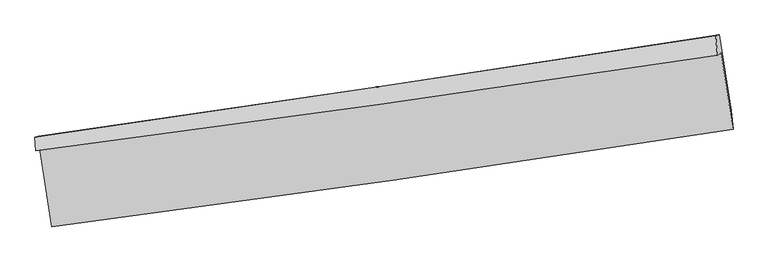
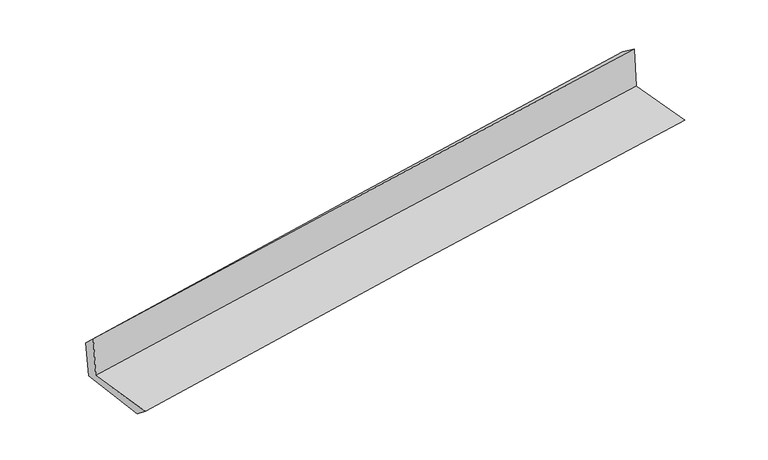
"""IFC4 building model written with IfcOpenShell, lengths in millimetres: proxy geometry."""

import ifcopenshell
import ifcopenshell.guid

model = None  # the IFC model being written
_history = None  # IfcOwnerHistory: only IFC2X3 demands one
_inside = {}  # id of a spatial element -> (the spatial element, [elements in it])
_under = {}  # id of a project, library or spatial element -> (it, [spatial elements below it])
_declared = {}  # id of a project -> (the project, [libraries it declares])
_typed = {}  # id of a type object -> (the type object, [elements of that type])
_made_of = {}  # id of a material, layer set ... -> (it, [elements and type objects made of it])


def new_model(schema):
    """Start an empty IFC model of exactly this schema.

    Asked for "IFC4X3", IfcOpenShell would pick the latest addendum, in which some entities
    have other attributes; the version numbers below select the first issue.
    IFC2X3 requires an IfcOwnerHistory on every rooted entity: one is made here for all.
    """
    global model, _history
    if schema == "IFC4X3":
        model = ifcopenshell.file(schema_version=(4, 3, 0, 0))
    else:
        model = ifcopenshell.file(schema=schema)
    _inside.clear()
    _under.clear()
    _declared.clear()
    _typed.clear()
    _made_of.clear()
    _history = None
    if model.schema == "IFC2X3":
        org = make("IfcOrganization", Name="unknown")
        user = make(
            "IfcPersonAndOrganization",
            ThePerson=make("IfcPerson", FamilyName="unknown"),
            TheOrganization=org,
        )
        app = make(
            "IfcApplication",
            ApplicationDeveloper=org,
            Version="unknown",
            ApplicationFullName="unknown",
            ApplicationIdentifier="unknown",
        )
        _history = make(
            "IfcOwnerHistory",
            OwningUser=user,
            OwningApplication=app,
            ChangeAction="ADDED",
            CreationDate=0,
        )
    return model


def make(cls, **values):
    """One entity of the class cls with the attributes given. An attribute that is None is left unset."""
    return model.create_entity(
        cls, **{name: value for name, value in values.items() if value is not None}
    )


def rooted(cls, **values):
    """An entity with a GlobalId (a new one), such as an element, a storey or a relation."""
    return make(cls, GlobalId=ifcopenshell.guid.new(), OwnerHistory=_history, **values)


def si_unit(unit_type, name, prefix=None):
    """IfcSIUnit, for example si_unit("LENGTHUNIT", "METRE", prefix="MILLI")."""
    return make("IfcSIUnit", UnitType=unit_type, Prefix=prefix, Name=name)


def assignment(units):
    """IfcUnitAssignment: the units of a project."""
    return None if units is None else make("IfcUnitAssignment", Units=units)


def point(xyz):
    """IfcCartesianPoint."""
    return None if xyz is None else make("IfcCartesianPoint", Coordinates=xyz)


def direction(xyz):
    """IfcDirection."""
    return None if xyz is None else make("IfcDirection", DirectionRatios=xyz)


def frame(location, z_axis=None, x_axis=None):
    """IfcAxis2Placement3D, a coordinate frame: its origin and axes. An axis left out is left unset."""
    return make(
        "IfcAxis2Placement3D",
        Location=point(location),
        Axis=direction(z_axis),
        RefDirection=direction(x_axis),
    )


def origin():
    """The frame at (0, 0, 0) with its axes left unset."""
    return frame((0.0, 0.0, 0.0))


def place(relative_to, where):
    """IfcLocalPlacement: puts the frame where relative to a parent placement (None: the world)."""
    return make(
        "IfcLocalPlacement", PlacementRelTo=relative_to, RelativePlacement=where
    )


def context(
    kind, dimensions, precision=None, world=None, true_north=None, identifier=None
):
    """IfcGeometricRepresentationContext, for example the 3D "Model" context."""
    return make(
        "IfcGeometricRepresentationContext",
        ContextIdentifier=identifier,
        ContextType=kind,
        CoordinateSpaceDimension=dimensions,
        Precision=precision,
        WorldCoordinateSystem=world,
        TrueNorth=true_north,
    )


def project(units=None, contexts=None):
    """IfcProject with its units and contexts."""
    return rooted(
        "IfcProject",
        Name="project",
        RepresentationContexts=contexts,
        UnitsInContext=assignment(units),
    )


def spatial(cls, under=None, at=None, **own):
    """A site, building, storey or space (cls), placed at a placement, below another one or the project."""
    s = rooted(cls, ObjectPlacement=at, **own)
    if under is not None:
        _under.setdefault(under.id(), (under, []))[1].append(s)
    return s


def shape(context_of_items, identifier, shape_type, items):
    """IfcShapeRepresentation: the items that make up one representation, for example the "Body"."""
    return make(
        "IfcShapeRepresentation",
        ContextOfItems=context_of_items,
        RepresentationIdentifier=identifier,
        RepresentationType=shape_type,
        Items=items,
    )


def source(mapping_origin, context_of_items, identifier, shape_type, items):
    """IfcRepresentationMap: a shape defined once, which mapped items show again and again."""
    return make(
        "IfcRepresentationMap",
        MappingOrigin=mapping_origin,
        MappedRepresentation=shape(context_of_items, identifier, shape_type, items),
    )


def transform(
    local_origin,
    x_axis=None,
    y_axis=None,
    z_axis=None,
    scale=None,
    scale2=None,
    scale3=None,
    uniform=True,
):
    """IfcCartesianTransformationOperator3D, or its non-uniform kind. x_axis, y_axis, z_axis: its Axis1, 2, 3."""
    if uniform:
        return make(
            "IfcCartesianTransformationOperator3D",
            Axis1=direction(x_axis),
            Axis2=direction(y_axis),
            LocalOrigin=point(local_origin),
            Scale=scale,
            Axis3=direction(z_axis),
        )
    return make(
        "IfcCartesianTransformationOperator3DnonUniform",
        Axis1=direction(x_axis),
        Axis2=direction(y_axis),
        LocalOrigin=point(local_origin),
        Scale=scale,
        Axis3=direction(z_axis),
        Scale2=scale2,
        Scale3=scale3,
    )


def mapped(mapping_source, mapping_target):
    """IfcMappedItem: shows the shape of a source again, moved by a transform."""
    return make(
        "IfcMappedItem", MappingSource=mapping_source, MappingTarget=mapping_target
    )


def made_of(thing, what):
    """Note that an element or type object is made of a material, layer set ...; save() writes the relation."""
    if what is not None:
        _made_of.setdefault(what.id(), (what, []))[1].append(thing)
    return thing


def element(
    cls,
    number,
    at=None,
    inside=None,
    cuts=None,
    type_object=None,
    material=None,
    context=None,
    identifier="Body",
    shape_type=None,
    held_by="IfcProductDefinitionShape",
    body=None,
    shapes=None,
    **own,
):
    """One element of the class cls, such as IfcWall. Its Tag is "e" and its number.

    at: its placement. inside: the storey or other place that contains it. cuts: it is an
    opening in that element (IfcRelVoidsElement). A single representation is given by context,
    identifier, shape_type and body (its items); several are given by shapes. held_by: the class
    of the entity that holds the representations. save() writes the other relations.
    """
    e = rooted(cls, Tag="e%d" % number, ObjectPlacement=at, **own)
    if body is not None:
        shapes = [shape(context, identifier, shape_type, body)]
    if shapes is not None:
        e.Representation = make(held_by, Representations=shapes)
    if inside is not None:
        _inside.setdefault(inside.id(), (inside, []))[1].append(e)
    if cuts is not None:
        rooted(
            "IfcRelVoidsElement", RelatingBuildingElement=cuts, RelatedOpeningElement=e
        )
    if type_object is not None:
        _typed.setdefault(type_object.id(), (type_object, []))[1].append(e)
    return made_of(e, material)


def aggregate(whole, parts):
    """IfcRelAggregates: a whole, such as a stair, and the parts it consists of."""
    return rooted("IfcRelAggregates", RelatingObject=whole, RelatedObjects=parts)


def save(model, path):
    """Write the relations noted so far, then the file.

    IfcRelAggregates (storeys below a building ...), IfcRelContainedInSpatialStructure (elements
    in a storey), IfcRelDefinesByType, IfcRelAssociatesMaterial and IfcRelDeclares: one each for
    every whole, place, type object, material and project.
    """
    for whole, parts in _under.values():
        aggregate(whole, parts)
    for where, things in _inside.values():
        rooted(
            "IfcRelContainedInSpatialStructure",
            RelatedElements=things,
            RelatingStructure=where,
        )
    for kind, things in _typed.values():
        rooted("IfcRelDefinesByType", RelatedObjects=things, RelatingType=kind)
    for what, things in _made_of.values():
        rooted("IfcRelAssociatesMaterial", RelatedObjects=things, RelatingMaterial=what)
    for by, libraries in _declared.values():
        rooted("IfcRelDeclares", RelatingContext=by, RelatedDefinitions=libraries)
    model.write(path)


def plane_surface(at):
    """IfcPlane: the flat surface through the origin of the frame at, square to its z axis."""
    return make("IfcPlane", Position=at)


def spline_curve(degree, points, multiplicities, knots, weights=None):
    """IfcBSplineCurveWithKnots; with weights, IfcRationalBSplineCurveWithKnots."""
    own = dict(
        Degree=degree,
        ControlPointsList=[point(p) for p in points],
        CurveForm="UNSPECIFIED",
        ClosedCurve=False,
        SelfIntersect=False,
        KnotMultiplicities=multiplicities,
        Knots=knots,
        KnotSpec="UNSPECIFIED",
    )
    if weights is None:
        return make("IfcBSplineCurveWithKnots", **own)
    return make("IfcRationalBSplineCurveWithKnots", WeightsData=weights, **own)


def spline_surface(u_degree, v_degree, points, u_multiplicities, v_multiplicities, u_knots, v_knots, weights=None):
    """IfcBSplineSurfaceWithKnots; with weights, IfcRationalBSplineSurfaceWithKnots. points: one row for each step in u."""
    own = dict(
        UDegree=u_degree,
        VDegree=v_degree,
        ControlPointsList=[[point(p) for p in row] for row in points],
        SurfaceForm="UNSPECIFIED",
        UClosed=False,
        VClosed=False,
        SelfIntersect=False,
        UMultiplicities=u_multiplicities,
        VMultiplicities=v_multiplicities,
        UKnots=u_knots,
        VKnots=v_knots,
        KnotSpec="UNSPECIFIED",
    )
    if weights is None:
        return make("IfcBSplineSurfaceWithKnots", **own)
    return make("IfcRationalBSplineSurfaceWithKnots", WeightsData=weights, **own)


def advanced_brep(points, edges, surfaces, faces):
    """IfcAdvancedBrep: a solid bounded by faces that lie on surfaces and meet in shared edges.

    An edge is (start, end): straight between two places in points (the first is 0);
    or (start, end, curve); or (start, end, curve, False) where it runs against its curve.
    A face is (place in surfaces, loops), or (place, loops, False) where it looks against
    its surface's normal. A loop lists edges by number (the first is 1), with a minus sign
    where the edge is run from its end to its start. The first loop is the outer one.
    """
    corners = [point(p) for p in points]
    vertices = [make("IfcVertexPoint", VertexGeometry=c) for c in corners]
    made = []
    for start, end, *more in edges:
        made.append(
            make(
                "IfcEdgeCurve",
                EdgeStart=vertices[start],
                EdgeEnd=vertices[end],
                EdgeGeometry=more[0] if more else make("IfcPolyline", Points=[corners[start], corners[end]]),
                SameSense=more[1] if len(more) > 1 else True,
            )
        )
    hull = []
    for where, loops, *sense in faces:
        bounds = []
        for j, loop in enumerate(loops):
            ring = [make("IfcOrientedEdge", EdgeElement=made[abs(k) - 1], Orientation=k > 0) for k in loop]
            bounds.append(
                make(
                    "IfcFaceOuterBound" if j == 0 else "IfcFaceBound",
                    Bound=make("IfcEdgeLoop", EdgeList=ring),
                    Orientation=True,
                )
            )
        hull.append(make("IfcAdvancedFace", Bounds=bounds, FaceSurface=surfaces[where], SameSense=sense[0] if sense else True))
    return make("IfcAdvancedBrep", Outer=make("IfcClosedShell", CfsFaces=hull))


def generic_models_840a5854(model_context):
    return source(origin(), model_context, "Body", "AdvancedBrep", [
        advanced_brep(
        [(-3007.6048641, -1904.4984586, 1615.9051151), (-2900.6653798, -2587.5262606, 1609.9995106), (3061.6245098, -1736.3943736, 2129.7278992), (2957.425872, -1064.6701866, 2124.3518774), (-3040.7328846, -1922.6620079, 2030.0361988), (2924.6739716, -1087.964322, 2543.358202), (-3049.2229593, -1806.3708164, 1919.1277682), (2908.9392343, -917.7692686, 2419.1542327), (-3018.734296, -1798.6242191, 1554.0878015), (2939.8520959, -909.9148904, 2049.035351), (-2911.0664664, -2466.6734701, 1512.9142805), (3046.9790167, -1574.4602107, 2007.8035548)],
        [
            (0, 1),
            (1, 2, spline_curve(3, [(-2900.6653798, -2587.5262606, 1609.9995106), (-1906.66185124, -2457.71735991, 1714.464190642), (-912.783579011, -2321.882306139, 1810.00854609), (1074.646364678, -2038.170754298, 1983.249976521), (2068.198055986, -1890.295179035, 2060.948416957), (3061.6245098, -1736.3943736, 2129.7278992)], [4, 2, 4], [0.0, 9.9176115658448, 19.834463787428568])),
            (2, 3),
            (3, 0, spline_curve(3, [(2957.425872, -1064.6701866, 2124.3518774), (1963.63411077, -1217.325315402, 2057.544234616), (969.67137265, -1363.636132594, 1981.771815135), (-1018.67218016, -1643.579861595, 1812.290934245), (-2013.05302055, -1777.211801577, 1718.58109968), (-3007.6048641, -1904.4984586, 1615.9051151)], [4, 2, 4], [0.0, 9.916852221583769, 19.834463787428568])),
            (4, 0),
            (3, 5),
            (5, 4, spline_curve(3, [(2924.6739716, -1087.964322, 2543.358202), (1930.760544668, -1238.017788822, 2473.28300931), (936.705630277, -1382.600209248, 2395.47051323), (-1051.763300187, -1660.833609263, 2224.364363727), (-2046.177337913, -1794.483750605, 2131.069525361), (-3040.7328846, -1922.6620079, 2030.0361988)], [4, 2, 4], [0.0, 9.916987042311723, 19.834733439207845])),
            (6, 4),
            (5, 7),
            (7, 6, spline_curve(3, [(2908.9392343, -917.7692686, 2419.1542327), (1915.778182601, -1071.007076525, 2346.128338052), (922.703145873, -1221.67337335, 2267.948311298), (-1063.350931933, -1517.87428283, 2101.273612714), (-2056.329959588, -1663.408502357, 2012.778151174), (-3049.2229593, -1806.3708164, 1919.1277682)], [4, 2, 4], [0.0, 9.916241093621036, 19.833241484708363])),
            (8, 6),
            (7, 9),
            (9, 8, spline_curve(3, [(2939.8520959, -909.9148904, 2049.035351), (1947.444593583, -1062.961235696, 1966.987229965), (954.7109988, -1213.540778187, 1884.719127965), (-1031.48441547, -1509.777599168, 1719.736645232), (-2024.946284526, -1655.434499334, 1637.022230603), (-3018.734296, -1798.6242191, 1554.0878015)], [4, 2, 4], [0.0, 9.915684582407417, 19.83212841966845])),
            (10, 8),
            (9, 11),
            (11, 10, spline_curve(3, [(3046.9790167, -1574.4602107, 2007.8035548), (2052.575444736, -1715.099502647, 1926.479290271), (1058.888849306, -1859.767252857, 1844.577985639), (-927.12642128, -2157.171055775, 1679.614982904), (-1919.454986987, -2309.907725404, 1596.553195662), (-2911.0664664, -2466.6734701, 1512.9142805)], [4, 2, 4], [0.0, 9.91560664746147, 19.83197254380899])),
            (1, 10),
            (11, 2),
        ],
        [
            spline_surface(3, 3, [[(-3007.6048641, -1904.4984586, 1615.9051151), (-2013.053020453, -1777.211801641, 1718.581099517), (-1018.672180008, -1643.579861568, 1812.290934107), (969.671372498, -1363.636132621, 1981.771815273), (1963.634110771, -1217.325315351, 2057.544234776), (2957.425872, -1064.6701866, 2124.3518774)], [(-2971.95836932, -2132.174392598, 1613.936580263), (-1977.589297364, -2004.046987704, 1717.208796519), (-983.375979722, -1869.680676412, 1811.53013812), (1004.663036618, -1588.481006535, 1982.264535658), (1998.48875919, -1441.648603268, 2058.678962185), (2992.158751273, -1288.578248945, 2126.143884666)], [(-2936.31187458, -2359.850326602, 1611.968045437), (-1942.125574314, -2230.882173774, 1715.836493532), (-948.079779456, -2095.781491242, 1810.769342151), (1039.654700716, -1813.325880437, 1982.757256062), (2033.343407591, -1665.97189115, 2059.813689597), (3026.891630527, -1512.486311255, 2127.935891934)], [(-2900.6653798, -2587.5262606, 1609.9995106), (-1906.661851226, -2457.717359837, 1714.464190534), (-912.783579169, -2321.882306086, 1810.008546163), (1074.646364836, -2038.170754351, 1983.249976448), (2068.19805601, -1890.295179067, 2060.948417007), (3061.6245098, -1736.3943736, 2129.7278992)]], [4, 4], [4, 2, 4], [0.0, 2.2460177040939557], [0.0, 9.9176115658448, 19.834463787428568]),
            spline_surface(3, 3, [[(-3040.7328846, -1922.6620079, 2030.0361988), (-2046.177337842, -1794.483750665, 2131.06952545), (-1051.763300156, -1660.833609183, 2224.364363747), (936.705630246, -1382.600209328, 2395.470513211), (1930.760544619, -1238.01778886, 2473.28300928), (2924.6739716, -1087.964322, 2543.358202)], [(-3029.690211098, -1916.607491439, 1891.992504249), (-2035.135898711, -1788.726434296, 1993.573383489), (-1040.732926767, -1655.082359978, 2087.006553869), (947.694211003, -1376.278850426, 2257.570947234), (1941.718399992, -1231.120297674, 2334.70341778), (2935.591271723, -1080.199610184, 2403.689427135)], [(-3018.647537602, -1910.552975061, 1753.948809651), (-2024.094459584, -1782.96911801, 1856.077241479), (-1029.702553397, -1649.331110773, 1949.648743984), (958.682791741, -1369.957491522, 2119.67138125), (1952.676255398, -1224.222806536, 2196.123826275), (2946.508571877, -1072.434898416, 2264.020652265)], [(-3007.6048641, -1904.4984586, 1615.9051151), (-2013.053020453, -1777.211801641, 1718.581099517), (-1018.672180008, -1643.579861568, 1812.290934107), (969.671372498, -1363.636132621, 1981.771815273), (1963.634110771, -1217.325315351, 2057.544234776), (2957.425872, -1064.6701866, 2124.3518774)]], [4, 4], [4, 2, 4], [0.0, 1.3602381916741795], [0.0, 9.917746396896122, 19.834733439207845]),
            spline_surface(3, 3, [[(-3049.2229593, -1806.3708164, 1919.1277682), (-2056.329959675, -1663.408502379, 2012.77815113), (-1063.350931888, -1517.874282967, 2101.273612607), (922.703145828, -1221.673373213, 2267.948311405), (1915.778182555, -1071.007076689, 2346.128338141), (2908.9392343, -917.7692686, 2419.1542327)], [(-3046.392934403, -1845.134546908, 1956.097245048), (-2052.945752401, -1707.100251816, 2052.208609218), (-1059.488387997, -1565.527391682, 2142.303863008), (927.370640615, -1275.315651895, 2310.455712029), (1920.772303234, -1126.677314078, 2388.513228542), (2914.184146724, -974.500953066, 2460.555555822)], [(-3043.562909497, -1883.898277392, 1993.066721952), (-2049.561545116, -1750.792001228, 2091.639067362), (-1055.625844047, -1613.180500467, 2183.334113345), (932.03813546, -1328.957930646, 2352.963112588), (1925.76642394, -1182.347551471, 2430.898118878), (2919.429059176, -1031.232637534, 2501.956878878)], [(-3040.7328846, -1922.6620079, 2030.0361988), (-2046.177337842, -1794.483750665, 2131.06952545), (-1051.763300156, -1660.833609183, 2224.364363747), (936.705630246, -1382.600209328, 2395.470513211), (1930.760544619, -1238.01778886, 2473.28300928), (2924.6739716, -1087.964322, 2543.358202)]], [4, 4], [4, 2, 4], [0.0, 0.647514066715934], [0.0, 9.917000391087328, 19.833241484708363]),
            spline_surface(3, 3, [[(-3018.734296, -1798.6242191, 1554.0878015), (-2024.946284506, -1655.434499354, 1637.022230764), (-1031.484415349, -1509.777599007, 1719.736645185), (954.710998679, -1213.540778348, 1884.719128012), (1947.444593484, -1062.961235741, 1966.987230057), (2939.8520959, -909.9148904, 2049.035351)], [(-3028.897183752, -1801.206418219, 1675.767790417), (-2035.407509548, -1658.092500382, 1762.274204236), (-1042.106587513, -1512.476493679, 1846.91563433), (944.041714411, -1216.251643322, 2012.462189148), (1936.889123196, -1065.643182718, 2093.367599395), (2929.547808722, -912.533016461, 2172.408311543)], [(-3039.060071548, -1803.788617281, 1797.447779283), (-2045.868734633, -1660.750501351, 1887.526177658), (-1052.728759724, -1515.175388295, 1974.094623461), (933.372430096, -1218.962508239, 2140.205250269), (1926.333652843, -1068.325129712, 2219.747968803), (2919.243521478, -915.151142539, 2295.781272157)], [(-3049.2229593, -1806.3708164, 1919.1277682), (-2056.329959675, -1663.408502379, 2012.77815113), (-1063.350931888, -1517.874282967, 2101.273612607), (922.703145828, -1221.673373213, 2267.948311405), (1915.778182555, -1071.007076689, 2346.128338141), (2908.9392343, -917.7692686, 2419.1542327)]], [4, 4], [4, 2, 4], [0.0, 1.2591870252107729], [0.0, 9.916443837261033, 19.83212841966845]),
            spline_surface(3, 3, [[(-2911.0664664, -2466.6734701, 1512.9142805), (-1919.45498699, -2309.907725328, 1596.553195606), (-927.126421403, -2157.171055746, 1679.614982744), (1058.888849429, -1859.767252886, 1844.577985799), (2052.575444886, -1715.099502689, 1926.479290106), (3046.9790167, -1574.4602107, 2007.8035548)], [(-2946.955742945, -2243.990386416, 1526.638787494), (-1954.618752841, -2091.74998332, 1610.042873985), (-961.912419398, -1941.373236815, 1692.988870194), (1024.162899166, -1644.358428022, 1857.958366506), (2017.531827748, -1497.720080393, 1939.981936774), (3011.270043096, -1352.945103953, 2021.547486884)], [(-2982.845019455, -2021.307302784, 1540.363294506), (-1989.782518656, -1873.592241362, 1623.532552384), (-996.698417354, -1725.575417938, 1706.362757735), (989.436948942, -1428.949603212, 1871.338747305), (1982.488210622, -1280.340658037, 1953.48458339), (2975.561069504, -1131.429997147, 2035.291418916)], [(-3018.734296, -1798.6242191, 1554.0878015), (-2024.946284506, -1655.434499354, 1637.022230764), (-1031.484415349, -1509.777599007, 1719.736645185), (954.710998679, -1213.540778348, 1884.719128012), (1947.444593484, -1062.961235741, 1966.987230057), (2939.8520959, -909.9148904, 2049.035351)]], [4, 4], [4, 2, 4], [0.0, 2.1535047204226982], [0.0, 9.916365896347521, 19.83197254380899]),
            spline_surface(3, 3, [[(-2900.6653798, -2587.5262606, 1609.9995106), (-1906.661851226, -2457.717359837, 1714.464190534), (-912.783579169, -2321.882306086, 1810.008546163), (1074.646364836, -2038.170754351, 1983.249976448), (2068.19805601, -1890.295179067, 2060.948417007), (3061.6245098, -1736.3943736, 2129.7278992)], [(-2904.132408681, -2547.241997119, 1577.637767229), (-1910.926229828, -2408.447481686, 1675.160525554), (-917.564526576, -2266.97855599, 1766.544025031), (1069.393859704, -1978.702920547, 1937.025979573), (2062.990518964, -1831.896620266, 2016.12537469), (3056.742678762, -1682.416319291, 2089.08645105)], [(-2907.599437519, -2506.957733581, 1545.276023871), (-1915.190608388, -2359.177603479, 1635.856860585), (-922.345473995, -2212.074805841, 1723.079503876), (1064.141354561, -1919.23508669, 1890.801982674), (2057.782981931, -1773.49806149, 1971.302332423), (3051.860847738, -1628.438265009, 2048.44500295)], [(-2911.0664664, -2466.6734701, 1512.9142805), (-1919.45498699, -2309.907725328, 1596.553195606), (-927.126421403, -2157.171055746, 1679.614982744), (1058.888849429, -1859.767252886, 1844.577985799), (2052.575444886, -1715.099502689, 1926.479290106), (3046.9790167, -1574.4602107, 2007.8035548)]], [4, 4], [4, 2, 4], [0.0, 0.7169760657386967], [0.0, 9.916663526286428, 19.832567780898696]),
            plane_surface(frame((2973.2491167, -1215.195542, 2212.2385195), z_axis=(0.9844609653057604, 0.1533948450507434, 0.0854788236998439), x_axis=(-0.08321303322319465, -0.021142870643898283, 0.9963074676638387))),
            plane_surface(frame((-2988.004475, -2081.0592054, 1707.0117791), z_axis=(-0.9844609653049109, -0.15339484505523823, -0.08547882370156154), x_axis=(-0.15467676762114357, 0.9879282031359355, 0.008541838612178748))),
        ],
        [
            (0, [[1, 2, 3, 4]]),
            (1, [[5, -4, 6, 7]]),
            (2, [[8, -7, 9, 10]]),
            (3, [[11, -10, 12, 13]]),
            (4, [[14, -13, 15, 16]]),
            (5, [[17, -16, 18, -2]]),
            (6, [[-12, -9, -6, -3, -18, -15]]),
            (7, [[-1, -5, -8, -11, -14, -17]]),
        ],
    ),
    ])


if __name__ == "__main__":
    model = new_model("IFC4")
    model_context = context("Model", 3, world=origin())
    ifc_project = project(units=[si_unit("LENGTHUNIT", "METRE", prefix="MILLI")], contexts=[model_context])
    site = spatial("IfcSite", under=ifc_project)
    building = spatial("IfcBuilding", under=site)
    placement = place(None, origin())
    generic_models_shape = generic_models_840a5854(model_context)
    element("IfcBuildingElementProxy", 1, Name="Generic Models", at=placement, inside=building, context=model_context, shape_type="MappedRepresentation", body=[
        mapped(generic_models_shape, transform((0.0, 0.0, 0.0), x_axis=(1.0, 0.0, 0.0), y_axis=(0.0, 1.0, 0.0), z_axis=(0.0, 0.0, 1.0))),
    ])
    save(model, "model.ifc")
